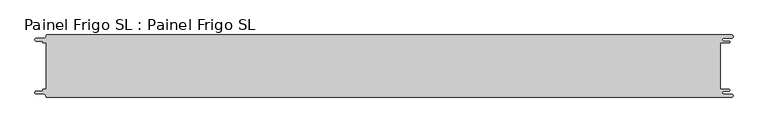
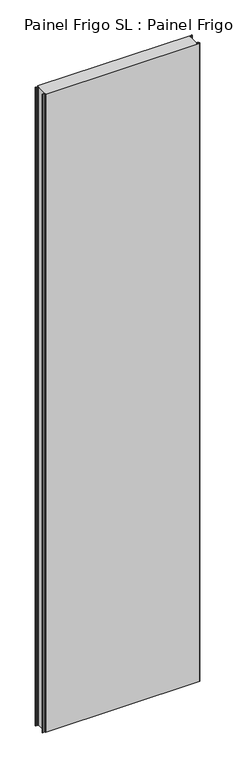
"""IFC4 building model written with IfcOpenShell, lengths in millimetres: proxy geometry, Painel Frigo SL : Painel Frigo SL."""

from ifc_helpers import new_model, si_unit, frame, origin, place, context, project, spatial, polyline, circle_curve, source, transform, mapped, element, save
from ifc_brep_helpers import plane_surface, cylinder_surface, revolved_surface, advanced_brep


def painel_frigo_sl_painel_frigo_sl_ecd0dfb1(model_context):
    return source(origin(), model_context, "Body", "AdvancedBrep", [
        advanced_brep(
        [(-554.5874998, -37.3, 4800.0), (-555.1874998, -37.9, 4800.0), (-555.1874998, -38.7085184, 4800.0), (-556.5875001, -40.1085187, 4800.0), (-565.565625, -40.1085187, 4800.0), (-565.565625, -44.5085185, 4800.0), (-553.55, -44.5085185, 4800.0), (-550.0, -48.0585185, 4800.0), (-548.05, -50.0, 4800.0), (546.89375, -50.0, 4800.0), (546.89375, -44.725, 4800.0), (534.45625, -44.725, 4800.0), (534.45625, -39.875, 4800.0), (543.1187503, -39.875, 4800.0), (543.1187503, -37.3, 4800.0), (529.2687503, -37.3, 4800.0), (529.2687503, 37.3, 4800.0), (543.1187503, 37.3, 4800.0), (543.1187503, 39.875, 4800.0), (534.45625, 39.875, 4800.0), (534.45625, 44.725, 4800.0), (546.89375, 44.725, 4800.0), (546.89375, 50.0, 4800.0), (-548.05, 50.0, 4800.0), (-550.0, 48.05, 4800.0), (-553.55, 44.5085185, 4800.0), (-565.565625, 44.5085185, 4800.0), (-565.565625, 40.1085185, 4800.0), (-556.5875003, 40.1085185, 4800.0), (-555.1875003, 38.7085185, 4800.0), (-555.1875003, 37.9, 4800.0), (-554.5874998, 37.2999995, 4800.0), (-549.2999612, 37.2999995, 4800.0), (-549.2999612, -37.3, 4800.0), (-554.5874998, -37.3, 0.0), (-549.2999612, -37.3, 0.0), (-549.2999612, 37.2999995, 0.0), (-554.5874998, 37.2999995, 0.0), (-555.1875003, 37.9, 0.0), (-555.1875003, 38.7085185, 0.0), (-556.5875003, 40.1085185, 0.0), (-565.565625, 40.1085185, 0.0), (-565.565625, 44.5085185, 0.0), (-553.55, 44.5085185, 0.0), (-550.0, 48.0585185, 0.0), (-548.05, 50.0, 0.0), (546.89375, 50.0, 0.0), (546.89375, 44.725, 0.0), (534.45625, 44.725, 0.0), (534.45625, 39.875, 0.0), (543.1187503, 39.875, 0.0), (543.1187503, 37.3, 0.0), (529.2687503, 37.3, 0.0), (529.2687503, -37.3, 0.0), (543.1187503, -37.3, 0.0), (543.1187503, -39.875, 0.0), (534.45625, -39.875, 0.0), (534.45625, -44.725, 0.0), (546.89375, -44.725, 0.0), (546.89375, -50.0, 0.0), (-548.05, -50.0, 0.0), (-550.0, -48.05, 0.0), (-553.55, -44.5085185, 0.0), (-565.565625, -44.5085185, 0.0), (-565.565625, -40.1085187, 0.0), (-556.5875001, -40.1085187, 0.0), (-555.1874998, -38.7085184, 0.0), (-555.1874998, -37.9, 0.0)],
        [
            (0, 1, circle_curve(frame((-554.5874998, -37.9, 4800.0), z_axis=(0.0, 0.0, 1.0), x_axis=(1.0, 0.0, 0.0)), 0.6)),
            (1, 2),
            (2, 3, circle_curve(frame((-556.5875001, -38.7085184, 4800.0), z_axis=(0.0, 0.0, -1.0), x_axis=(1.0, 0.0, 0.0)), 1.4000003)),
            (3, 4),
            (4, 5, circle_curve(frame((-565.565625, -42.3085186, 4800.0), z_axis=(0.0, 0.0, 1.0), x_axis=(1.0, 0.0, 0.0)), 2.1999999)),
            (5, 6),
            (6, 7, circle_curve(frame((-553.55, -48.0585185, 4800.0), z_axis=(0.0, 0.0, -1.0), x_axis=(1.0, 0.0, 0.0)), 3.55)),
            (7, 8, circle_curve(frame((-548.05, -48.05, 4800.0), z_axis=(0.0, 0.0, 1.0), x_axis=(1.0, 0.0, 0.0)), 1.95)),
            (8, 9),
            (9, 10, circle_curve(frame((546.89375, -47.3625, 4800.0), z_axis=(0.0, 0.0, 1.0), x_axis=(1.0, 0.0, 0.0)), 2.6375)),
            (10, 11),
            (11, 12, circle_curve(frame((534.45625, -42.3, 4800.0), z_axis=(0.0, 0.0, -1.0), x_axis=(1.0, 0.0, 0.0)), 2.425)),
            (12, 13),
            (13, 14, circle_curve(frame((543.1187503, -38.5875, 4800.0), z_axis=(0.0, 0.0, 1.0), x_axis=(1.0, 0.0, 0.0)), 1.2875)),
            (14, 15),
            (15, 16),
            (16, 17),
            (17, 18, circle_curve(frame((543.1187503, 38.5875, 4800.0), z_axis=(0.0, 0.0, 1.0), x_axis=(1.0, 0.0, 0.0)), 1.2875)),
            (18, 19),
            (19, 20, circle_curve(frame((534.45625, 42.3, 4800.0), z_axis=(0.0, 0.0, -1.0), x_axis=(1.0, 0.0, 0.0)), 2.425)),
            (20, 21),
            (21, 22, circle_curve(frame((546.89375, 47.3625, 4800.0), z_axis=(0.0, 0.0, 1.0), x_axis=(1.0, 0.0, 0.0)), 2.6375)),
            (22, 23),
            (23, 24, circle_curve(frame((-548.05, 48.05, 4800.0), z_axis=(0.0, 0.0, 1.0), x_axis=(1.0, 0.0, 0.0)), 1.95)),
            (24, 25, circle_curve(frame((-553.55, 48.0585185, 4800.0), z_axis=(0.0, 0.0, -1.0), x_axis=(1.0, 0.0, 0.0)), 3.55)),
            (25, 26),
            (26, 27, circle_curve(frame((-565.565625, 42.3085185, 4800.0), z_axis=(0.0, 0.0, 1.0), x_axis=(1.0, 0.0, 0.0)), 2.2)),
            (27, 28),
            (28, 29, circle_curve(frame((-556.5875003, 38.7085185, 4800.0), z_axis=(0.0, 0.0, -1.0), x_axis=(1.0, 0.0, 0.0)), 1.4)),
            (29, 30),
            (30, 31, circle_curve(frame((-554.5874998, 37.9, 4800.0), z_axis=(0.0, 0.0, 1.0), x_axis=(1.0, 0.0, 0.0)), 0.6000005)),
            (31, 32),
            (32, 33),
            (33, 0),
            (34, 35),
            (35, 36),
            (36, 37),
            (37, 38, circle_curve(frame((-554.5874998, 37.9, 0.0), z_axis=(0.0, 0.0, -1.0), x_axis=(1.0, 0.0, 0.0)), 0.6000005)),
            (38, 39),
            (39, 40, circle_curve(frame((-556.5875003, 38.7085185, 0.0), z_axis=(0.0, 0.0, 1.0), x_axis=(1.0, 0.0, 0.0)), 1.4)),
            (40, 41),
            (41, 42, circle_curve(frame((-565.565625, 42.3085185, 0.0), z_axis=(0.0, 0.0, -1.0), x_axis=(1.0, 0.0, 0.0)), 2.2)),
            (42, 43),
            (43, 44, circle_curve(frame((-553.55, 48.0585185, 0.0), z_axis=(0.0, 0.0, 1.0), x_axis=(1.0, 0.0, 0.0)), 3.55)),
            (44, 45, circle_curve(frame((-548.05, 48.05, 0.0), z_axis=(0.0, 0.0, -1.0), x_axis=(1.0, 0.0, 0.0)), 1.95)),
            (45, 46),
            (46, 47, circle_curve(frame((546.89375, 47.3625, 0.0), z_axis=(0.0, 0.0, -1.0), x_axis=(1.0, 0.0, 0.0)), 2.6375)),
            (47, 48),
            (48, 49, circle_curve(frame((534.45625, 42.3, 0.0), z_axis=(0.0, 0.0, 1.0), x_axis=(1.0, 0.0, 0.0)), 2.425)),
            (49, 50),
            (50, 51, circle_curve(frame((543.1187503, 38.5875, 0.0), z_axis=(0.0, 0.0, -1.0), x_axis=(1.0, 0.0, 0.0)), 1.2875)),
            (51, 52),
            (52, 53),
            (53, 54),
            (54, 55, circle_curve(frame((543.1187503, -38.5875, 0.0), z_axis=(0.0, 0.0, -1.0), x_axis=(1.0, 0.0, 0.0)), 1.2875)),
            (55, 56),
            (56, 57, circle_curve(frame((534.45625, -42.3, 0.0), z_axis=(0.0, 0.0, 1.0), x_axis=(1.0, 0.0, 0.0)), 2.425)),
            (57, 58),
            (58, 59, circle_curve(frame((546.89375, -47.3625, 0.0), z_axis=(0.0, 0.0, -1.0), x_axis=(1.0, 0.0, 0.0)), 2.6375)),
            (59, 60),
            (60, 61, circle_curve(frame((-548.05, -48.05, 0.0), z_axis=(0.0, 0.0, -1.0), x_axis=(1.0, 0.0, 0.0)), 1.95)),
            (61, 62, circle_curve(frame((-553.55, -48.0585185, 0.0), z_axis=(0.0, 0.0, 1.0), x_axis=(1.0, 0.0, 0.0)), 3.55)),
            (62, 63),
            (63, 64, circle_curve(frame((-565.565625, -42.3085186, 0.0), z_axis=(0.0, 0.0, -1.0), x_axis=(1.0, 0.0, 0.0)), 2.1999999)),
            (64, 65),
            (65, 66, circle_curve(frame((-556.5875001, -38.7085184, 0.0), z_axis=(0.0, 0.0, 1.0), x_axis=(1.0, 0.0, 0.0)), 1.4000003)),
            (66, 67),
            (67, 34, circle_curve(frame((-554.5874998, -37.9, 0.0), z_axis=(0.0, 0.0, -1.0), x_axis=(1.0, 0.0, 0.0)), 0.6)),
            (33, 35),
            (34, 0),
            (32, 36),
            (31, 37),
            (30, 38),
            (29, 39),
            (28, 40),
            (27, 41),
            (26, 42),
            (25, 43),
            (24, 44),
            (23, 45),
            (22, 46),
            (15, 53),
            (52, 16),
            (14, 54),
            (13, 55),
            (12, 56),
            (11, 57),
            (10, 58),
            (9, 59),
            (8, 60),
            (7, 61),
            (6, 62),
            (5, 63),
            (4, 64),
            (3, 65),
            (2, 66),
            (1, 67),
            (21, 47),
            (20, 48),
            (19, 49),
            (18, 50),
            (17, 51),
        ],
        [
            plane_surface(frame((-549.2999612, -37.3, 4800.0), z_axis=(0.0, 0.0, 1.0), x_axis=(1.0, 0.0, 0.0))),
            plane_surface(frame((-549.2999612, -37.3, 0.0), z_axis=(0.0, 0.0, -1.0), x_axis=(-1.0, 0.0, 0.0))),
            plane_surface(frame((-554.5874998, -37.3, 4800.0), z_axis=(0.0, 1.0, 0.0), x_axis=(0.0, 0.0, -1.0))),
            plane_surface(frame((-549.2999612, -37.3, 4800.0), z_axis=(-1.0, 0.0, 0.0), x_axis=(0.0, 0.0, -1.0))),
            plane_surface(frame((-549.2999612, 37.2999995, 4800.0), z_axis=(0.0, -1.0, 0.0), x_axis=(0.0, 0.0, -1.0))),
            cylinder_surface(frame((-554.5874998, 37.9, 0.0), z_axis=(0.0, 0.0, 1.0), x_axis=(1.0, 0.0, 0.0)), 0.6000005),
            plane_surface(frame((-555.1875003, 37.9, 4800.0), z_axis=(-1.0, -1.757860866232943e-12, 0.0), x_axis=(0.0, 0.0, -1.0))),
            revolved_surface(polyline([(-555.1875003, 38.7085185, 0.0), (-555.1875003, 38.7085185, 4800.0)]), (-556.5875003, 38.7085185, 0.0), (0.0, 0.0, -1.0)),
            plane_surface(frame((-556.5875003, 40.1085185, 4800.0), z_axis=(0.0, -1.0, 0.0), x_axis=(0.0, 0.0, -1.0))),
            cylinder_surface(frame((-565.565625, 42.3085185, 0.0), z_axis=(0.0, 0.0, 1.0), x_axis=(1.0, 0.0, 0.0)), 2.2),
            plane_surface(frame((-565.565625, 44.5085185, 4800.0), z_axis=(0.0, 1.0, 0.0), x_axis=(0.0, 0.0, -1.0))),
            revolved_surface(polyline([(-550.0, 48.0585185, 0.0), (-550.0, 48.0585185, 4800.0)]), (-553.55, 48.0585185, 0.0), (0.0, 0.0, -1.0)),
            cylinder_surface(frame((-548.05, 48.05, 0.0), z_axis=(0.0, 0.0, 1.0), x_axis=(1.0, 0.0, 0.0)), 1.95),
            plane_surface(frame((-548.05, 50.0, 4800.0), z_axis=(0.0, 1.0, 0.0), x_axis=(0.0, 0.0, -1.0))),
            plane_surface(frame((529.2687503, 37.3, 4800.0), z_axis=(1.0, 0.0, 0.0), x_axis=(0.0, 0.0, -1.0))),
            plane_surface(frame((529.2687503, -37.3, 4800.0), z_axis=(0.0, 1.0, 0.0), x_axis=(0.0, 0.0, -1.0))),
            cylinder_surface(frame((543.1187503, -38.5875, 0.0), z_axis=(0.0, 0.0, 1.0), x_axis=(1.0, 0.0, 0.0)), 1.2875),
            plane_surface(frame((543.1187503, -39.875, 4800.0), z_axis=(0.0, -1.0, 0.0), x_axis=(0.0, 0.0, -1.0))),
            revolved_surface(polyline([(536.8812499999999, -42.3, 0.0), (536.8812499999999, -42.3, 4800.0)]), (534.45625, -42.3, 0.0), (0.0, 0.0, -1.0)),
            plane_surface(frame((534.45625, -44.725, 4800.0), z_axis=(0.0, 1.0, 0.0), x_axis=(0.0, 0.0, -1.0))),
            cylinder_surface(frame((546.89375, -47.3625, 0.0), z_axis=(0.0, 0.0, 1.0), x_axis=(1.0, 0.0, 0.0)), 2.6375),
            plane_surface(frame((546.89375, -50.0, 4800.0), z_axis=(0.0, -1.0, 0.0), x_axis=(0.0, 0.0, -1.0))),
            cylinder_surface(frame((-548.05, -48.05, 0.0), z_axis=(0.0, 0.0, 1.0), x_axis=(1.0, 0.0, 0.0)), 1.95),
            revolved_surface(polyline([(-550.0, -48.0585185, 0.0), (-550.0, -48.0585185, 4800.0)]), (-553.55, -48.0585185, 0.0), (0.0, 0.0, -1.0)),
            plane_surface(frame((-553.55, -44.5085185, 4800.0), z_axis=(0.0, -1.0, 0.0), x_axis=(0.0, 0.0, -1.0))),
            cylinder_surface(frame((-565.565625, -42.3085186, 0.0), z_axis=(0.0, 0.0, 1.0), x_axis=(1.0, 0.0, 0.0)), 2.1999999),
            plane_surface(frame((-565.565625, -40.1085187, 4800.0), z_axis=(0.0, 1.0, 0.0), x_axis=(0.0, 0.0, -1.0))),
            revolved_surface(polyline([(-555.1874998000001, -38.7085184, 0.0), (-555.1874998000001, -38.7085184, 4800.0)]), (-556.5875001, -38.7085184, 0.0), (0.0, 0.0, -1.0)),
            plane_surface(frame((-555.1874998, -38.7085184, 4800.0), z_axis=(-1.0, 0.0, 0.0), x_axis=(0.0, 0.0, -1.0))),
            cylinder_surface(frame((-554.5874998, -37.9, 0.0), z_axis=(0.0, 0.0, 1.0), x_axis=(1.0, 0.0, 0.0)), 0.6),
            cylinder_surface(frame((546.89375, 47.3625, 0.0), z_axis=(0.0, 0.0, 1.0), x_axis=(1.0, 0.0, 0.0)), 2.6375),
            plane_surface(frame((546.89375, 44.725, 4800.0), z_axis=(0.0, -1.0, 0.0), x_axis=(0.0, 0.0, -1.0))),
            revolved_surface(polyline([(536.8812499999999, 42.3, 0.0), (536.8812499999999, 42.3, 4800.0)]), (534.45625, 42.3, 0.0), (0.0, 0.0, -1.0)),
            plane_surface(frame((534.45625, 39.875, 4800.0), z_axis=(0.0, 1.0, 0.0), x_axis=(0.0, 0.0, -1.0))),
            cylinder_surface(frame((543.1187503, 38.5875, 0.0), z_axis=(0.0, 0.0, 1.0), x_axis=(1.0, 0.0, 0.0)), 1.2875),
            plane_surface(frame((543.1187503, 37.3, 4800.0), z_axis=(0.0, -1.0, 0.0), x_axis=(0.0, 0.0, -1.0))),
        ],
        [
            (0, [[1, 2, 3, 4, 5, 6, 7, 8, 9, 10, 11, 12, 13, 14, 15, 16, 17, 18, 19, 20, 21, 22, 23, 24, 25, 26, 27, 28, 29, 30, 31, 32, 33, 34]]),
            (1, [[35, 36, 37, 38, 39, 40, 41, 42, 43, 44, 45, 46, 47, 48, 49, 50, 51, 52, 53, 54, 55, 56, 57, 58, 59, 60, 61, 62, 63, 64, 65, 66, 67, 68]]),
            (2, [[69, -35, 70, -34]]),
            (3, [[71, -36, -69, -33]]),
            (4, [[72, -37, -71, -32]]),
            (5, [[73, -38, -72, -31]]),
            (6, [[74, -39, -73, -30]]),
            (7, [[75, -40, -74, -29]]),
            (8, [[76, -41, -75, -28]]),
            (9, [[77, -42, -76, -27]]),
            (10, [[78, -43, -77, -26]]),
            (11, [[79, -44, -78, -25]]),
            (12, [[80, -45, -79, -24]]),
            (13, [[81, -46, -80, -23]]),
            (14, [[82, -53, 83, -16]]),
            (15, [[84, -54, -82, -15]]),
            (16, [[85, -55, -84, -14]]),
            (17, [[86, -56, -85, -13]]),
            (18, [[87, -57, -86, -12]]),
            (19, [[88, -58, -87, -11]]),
            (20, [[89, -59, -88, -10]]),
            (21, [[90, -60, -89, -9]]),
            (22, [[91, -61, -90, -8]]),
            (23, [[92, -62, -91, -7]]),
            (24, [[93, -63, -92, -6]]),
            (25, [[94, -64, -93, -5]]),
            (26, [[95, -65, -94, -4]]),
            (27, [[96, -66, -95, -3]]),
            (28, [[97, -67, -96, -2]]),
            (29, [[-70, -68, -97, -1]]),
            (30, [[98, -47, -81, -22]]),
            (31, [[99, -48, -98, -21]]),
            (32, [[100, -49, -99, -20]]),
            (33, [[101, -50, -100, -19]]),
            (34, [[102, -51, -101, -18]]),
            (35, [[-83, -52, -102, -17]]),
        ],
    ),
    ])


if __name__ == "__main__":
    model = new_model("IFC4")
    model_context = context("Model", 3, world=origin())
    ifc_project = project(units=[si_unit("LENGTHUNIT", "METRE", prefix="MILLI")], contexts=[model_context])
    site = spatial("IfcSite", under=ifc_project)
    building = spatial("IfcBuilding", under=site)
    placement = place(None, origin())
    painel_frigo_sl_painel_frigo_sl_shape = painel_frigo_sl_painel_frigo_sl_ecd0dfb1(model_context)
    element("IfcBuildingElementProxy", 1, Name="Painel Frigo SL : Painel Frigo SL", ObjectType="Painel Frigo SL : Painel Frigo SL", at=placement, inside=building, context=model_context, shape_type="MappedRepresentation", body=[
        mapped(painel_frigo_sl_painel_frigo_sl_shape, transform((0.0, 0.0, 0.0), x_axis=(1.0, 0.0, 0.0), y_axis=(0.0, 1.0, 0.0), z_axis=(0.0, 0.0, 1.0))),
    ])
    save(model, "model.ifc")
